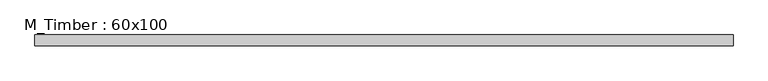
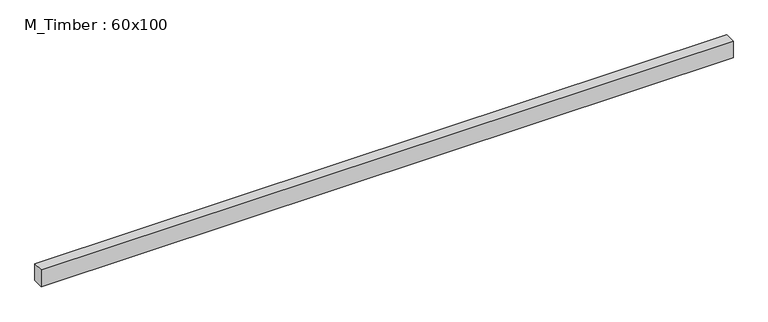
"""IFC4 building model written with IfcOpenShell, lengths in millimetres: beam geometry, M_Timber : 60x100."""

from ifc_helpers import new_model, si_unit, frame, origin, place, context, project, spatial, polyline, outline, extrude, source, transform, mapped, element, save


def m_timber_60x100_91b56998(model_context):
    return source(origin(), model_context, "Body", "SweptSolid", [
        extrude(outline(polyline([(1940.0, 30.0), (1940.0, -30.0), (-1934.2967176, -30.0), (-1934.2967176, 30.0), (1940.0, 30.0)])), frame((0.0, 0.0, -50.0), z_axis=(0.0, 0.0, 1.0), x_axis=(1.0, 0.0, 0.0)), (0.0, 0.0, 1.0), 100.0),
    ])


if __name__ == "__main__":
    model = new_model("IFC4")
    model_context = context("Model", 3, world=origin())
    ifc_project = project(units=[si_unit("LENGTHUNIT", "METRE", prefix="MILLI")], contexts=[model_context])
    site = spatial("IfcSite", under=ifc_project)
    building = spatial("IfcBuilding", under=site)
    placement = place(None, origin())
    m_timber_60x100_shape = m_timber_60x100_91b56998(model_context)
    element("IfcBeam", 1, ObjectType="M_Timber : 60x100", at=placement, inside=building, context=model_context, shape_type="MappedRepresentation", body=[
        mapped(m_timber_60x100_shape, transform((0.0, 0.0, 0.0), x_axis=(1.0, 0.0, 0.0), y_axis=(0.0, 1.0, 0.0), z_axis=(0.0, 0.0, 1.0))),
    ])
    save(model, "model.ifc")
